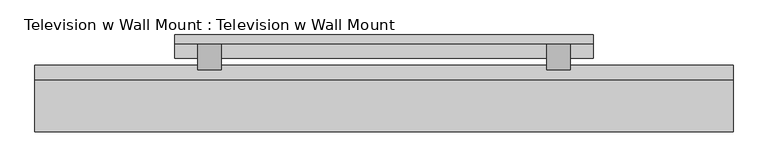
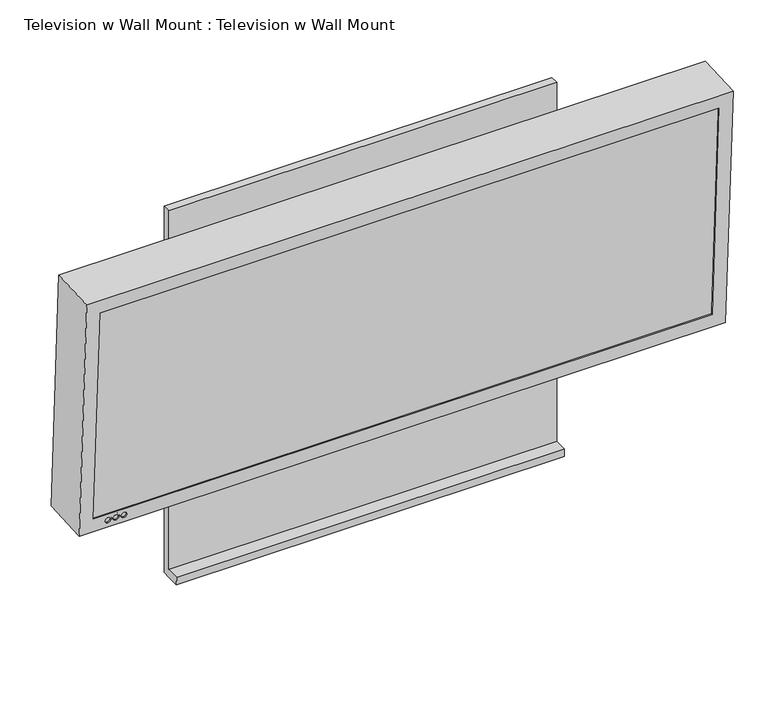
"""IFC4 building model written with IfcOpenShell, lengths in millimetres: proxy geometry, Television w Wall Mount : Television w Wall Mount."""

from ifc_helpers import new_model, si_unit, point, frame, frame_2d, origin, place, context, project, spatial, polyline, circle_curve, trimmed, segment, composite_curve, outline, extrude, source, transform, mapped, element, save
from ifc_brep_helpers import plane_surface, revolved_surface, advanced_brep


def television_w_wall_mount_television_w_wall_mount_fb7990d2(model_context):
    return source(origin(), model_context, "Body", "SolidModel", [
        extrude(outline(composite_curve([segment(trimmed(circle_curve(frame_2d((0.0, 9.0037851)), 9.0037851), [point((0.0, 18.0075701))], [point((0.0, 0.0))], False, "CARTESIAN"), True, "CONTINUOUS"), segment(trimmed(circle_curve(frame_2d((0.0, 9.0037851)), 9.0037851), [point((0.0, 0.0))], [point((0.0, 18.0075701))], False, "CARTESIAN"), True, "CONTINUOUS")], self_intersect=False)), frame((-1182.2925401, -240.5253505, 2466.195864), z_axis=(0.0, 0.9986295347545739, 0.05233595624294378), x_axis=(1.0, 0.0, 0.0)), (0.0, 0.0, 1.0), 3.175),
        extrude(outline(composite_curve([segment(trimmed(circle_curve(frame_2d((0.0, 9.0037851)), 9.0037851), [point((0.0, 18.0075701))], [point((0.0, 0.0))], False, "CARTESIAN"), True, "CONTINUOUS"), segment(trimmed(circle_curve(frame_2d((0.0, 9.0037851)), 9.0037851), [point((0.0, 0.0))], [point((0.0, 18.0075701))], False, "CARTESIAN"), True, "CONTINUOUS")], self_intersect=False)), frame((-1201.3425401, -240.5253505, 2466.195864), z_axis=(0.0, 0.9986295347545739, 0.05233595624294378), x_axis=(1.0, 0.0, 0.0)), (0.0, 0.0, 1.0), 3.175),
        extrude(outline(polyline([(-138.7616051, 2647.7291544), (-80.9625, 2705.5282596), (-80.9625, 2680.1282596), (-135.5082889, 2585.6521819), (-138.7616051, 2647.7291544)])), frame((-170.18, 0.0, 0.0), z_axis=(1.0, 0.0, 0.0), x_axis=(0.0, 1.0, 0.0)), (0.0, 0.0, 1.0), 50.8),
        extrude(outline(polyline([(-138.7616051, 2647.7291544), (-80.9625, 2705.5282596), (-80.9625, 2680.1282596), (-135.5082889, 2585.6521819), (-138.7616051, 2647.7291544)])), frame((-932.18, 0.0, 0.0), z_axis=(1.0, 0.0, 0.0), x_axis=(0.0, 1.0, 0.0)), (0.0, 0.0, 1.0), 50.8),
        extrude(outline(polyline([(-61.9125, 2133.6), (-80.9625, 2133.6), (-111.8172379, 2133.6), (-112.8156061, 2152.65), (-80.9625, 2152.65), (-80.9625, 3048.0), (-61.9125, 3048.0), (-61.9125, 2133.6)])), frame((-982.98, 0.0, 0.0), z_axis=(1.0, 0.0, 0.0), x_axis=(0.0, 1.0, 0.0)), (0.0, 0.0, 1.0), 914.4),
        extrude(outline(polyline([(0.0, 1458.9125), (3.175, 1458.9125), (3.175, 0.0), (0.0, 0.0), (0.0, 1458.9125)])), frame((-1255.23625, -237.7077838, 2473.0992385), z_axis=(0.0, -0.052335956242984656, 0.9986295347545718), x_axis=(0.0, -0.9986295347545718, -0.052335956242984656)), (0.0, 0.0, 1.0), 531.4488846),
        extrude(outline(polyline([(0.0, 1458.9125), (76.2, 1458.9125), (76.2, 0.0), (0.0, 0.0), (0.0, 1458.9125)])), frame((-1255.23625, -155.2709157, 2477.4195717), z_axis=(0.0, -0.052335956242941954, 0.998629534754574), x_axis=(0.0, -0.998629534754574, -0.052335956242941954)), (0.0, 0.0, 1.0), 531.4488846),
        extrude(outline(composite_curve([segment(trimmed(circle_curve(frame_2d((0.0, 9.0037851)), 9.0037851), [point((0.0, 18.0075701))], [point((0.0, 0.0))], False, "CARTESIAN"), True, "CONTINUOUS"), segment(trimmed(circle_curve(frame_2d((0.0, 9.0037851)), 9.0037851), [point((0.0, 0.0))], [point((0.0, 18.0075701))], False, "CARTESIAN"), True, "CONTINUOUS")], self_intersect=False)), frame((-1220.3925401, -240.5253505, 2466.195864), z_axis=(0.0, 0.9986295347545739, 0.05233595624294378), x_axis=(1.0, 0.0, 0.0)), (0.0, 0.0, 1.0), 3.175),
        advanced_brep(
        [(-1287.78, -159.4228194, 3041.9686073), (236.22, -159.4228194, 3041.9686073), (236.22, -128.2025172, 2446.249755), (-1287.78, -128.2025172, 2446.249755), (-1287.78, -273.5661752, 3035.9866075), (-1287.78, -242.3458731, 2440.2677552), (236.22, -242.3458731, 2440.2677552), (236.22, -273.5661752, 3035.9866075), (-1255.23625, -271.8629669, 3003.4874576), (203.67625, -271.8629669, 3003.4874576), (203.67625, -244.0490813, 2472.7669052), (-1255.23625, -244.0490813, 2472.7669052), (-1220.3925401, -242.907645, 2450.9870027), (-1220.3925401, -243.5723117, 2463.6695978), (-1201.3425401, -242.907645, 2450.9870027), (-1201.3425401, -243.5723117, 2463.6695978), (-1182.2925401, -242.907645, 2450.9870027), (-1182.2925401, -243.5723117, 2463.6695978), (-1255.23625, -183.0848013, 3008.1401241), (-1255.23625, -155.2709157, 2477.4195717), (203.67625, -155.2709157, 2477.4195717), (203.67625, -183.0848013, 3008.1401241), (-1220.3925401, -154.1294794, 2455.6396693), (-1220.3925401, -154.794146, 2468.3222643), (-1201.3425401, -154.1294794, 2455.6396693), (-1201.3425401, -154.794146, 2468.3222643), (-1182.2925401, -154.1294794, 2455.6396693), (-1182.2925401, -154.794146, 2468.3222643)],
        [
            (0, 1),
            (1, 2),
            (2, 3),
            (3, 0),
            (4, 5),
            (5, 6),
            (6, 7),
            (7, 4),
            (8, 9),
            (9, 10),
            (10, 11),
            (11, 8),
            (12, 13, circle_curve(frame((-1220.3925401, -243.2399783, 2457.3283003), z_axis=(0.0, 0.9986295347545739, 0.05233595624294378), x_axis=(0.0, -0.05233595624294378, 0.9986295347545739)), 6.35)),
            (13, 12, circle_curve(frame((-1220.3925401, -243.2399783, 2457.3283003), z_axis=(0.0, 0.9986295347545739, 0.05233595624294378), x_axis=(0.0, -0.05233595624294378, 0.9986295347545739)), 6.35)),
            (14, 15, circle_curve(frame((-1201.3425401, -243.2399783, 2457.3283003), z_axis=(0.0, 0.9986295347545739, 0.05233595624294378), x_axis=(0.0, -0.05233595624294378, 0.9986295347545739)), 6.35)),
            (15, 14, circle_curve(frame((-1201.3425401, -243.2399783, 2457.3283003), z_axis=(0.0, 0.9986295347545739, 0.05233595624294378), x_axis=(0.0, -0.05233595624294378, 0.9986295347545739)), 6.35)),
            (16, 17, circle_curve(frame((-1182.2925401, -243.2399783, 2457.3283003), z_axis=(0.0, 0.9986295347545739, 0.05233595624294378), x_axis=(0.0, -0.05233595624294378, 0.9986295347545739)), 6.35)),
            (17, 16, circle_curve(frame((-1182.2925401, -243.2399783, 2457.3283003), z_axis=(0.0, 0.9986295347545739, 0.05233595624294378), x_axis=(0.0, -0.05233595624294378, 0.9986295347545739)), 6.35)),
            (3, 5),
            (4, 0),
            (2, 6),
            (1, 7),
            (18, 19),
            (19, 20),
            (20, 21),
            (21, 18),
            (18, 8),
            (11, 19),
            (10, 20),
            (9, 21),
            (22, 23, circle_curve(frame((-1220.3925401, -154.4618127, 2461.9809668), z_axis=(0.0, -0.9986295347545739, -0.05233595624294378), x_axis=(0.0, -0.05233595624294378, 0.9986295347545739)), 6.35)),
            (23, 22, circle_curve(frame((-1220.3925401, -154.4618127, 2461.9809668), z_axis=(0.0, -0.9986295347545739, -0.05233595624294378), x_axis=(0.0, -0.05233595624294378, 0.9986295347545739)), 6.35)),
            (24, 25, circle_curve(frame((-1201.3425401, -154.4618127, 2461.9809668), z_axis=(0.0, -0.9986295347545739, -0.05233595624294378), x_axis=(0.0, -0.05233595624294378, 0.9986295347545739)), 6.35)),
            (25, 24, circle_curve(frame((-1201.3425401, -154.4618127, 2461.9809668), z_axis=(0.0, -0.9986295347545739, -0.05233595624294378), x_axis=(0.0, -0.05233595624294378, 0.9986295347545739)), 6.35)),
            (26, 27, circle_curve(frame((-1182.2925401, -154.4618127, 2461.9809668), z_axis=(0.0, -0.9986295347545739, -0.05233595624294378), x_axis=(0.0, -0.05233595624294378, 0.9986295347545739)), 6.35)),
            (27, 26, circle_curve(frame((-1182.2925401, -154.4618127, 2461.9809668), z_axis=(0.0, -0.9986295347545739, -0.05233595624294378), x_axis=(0.0, -0.05233595624294378, 0.9986295347545739)), 6.35)),
            (22, 12),
            (13, 23),
            (24, 14),
            (15, 25),
            (26, 16),
            (17, 27),
        ],
        [
            plane_surface(frame((-1287.78, -159.4228194, 3041.9686073), z_axis=(0.0, 0.9986295347545739, 0.05233595624294378), x_axis=(0.0, 0.05233595624294378, -0.9986295347545739))),
            plane_surface(frame((-1287.78, -273.5661752, 3035.9866075), z_axis=(0.0, -0.9986295347545739, -0.05233595624294378), x_axis=(0.0, -0.05233595624294378, 0.9986295347545739))),
            plane_surface(frame((-1287.78, -159.4228194, 3041.9686073), z_axis=(-1.0000000000000002, 0.0, 0.0), x_axis=(0.0, -0.998629534754574, -0.05233595624294197))),
            plane_surface(frame((-1287.78, -128.2025172, 2446.249755), z_axis=(0.0, 0.05233595624294196, -0.998629534754574), x_axis=(0.0, -0.998629534754574, -0.05233595624294196))),
            plane_surface(frame((236.22, -128.2025172, 2446.249755), z_axis=(1.0000000000000002, 0.0, 0.0), x_axis=(0.0, -0.998629534754574, -0.05233595624294196))),
            plane_surface(frame((236.22, -159.4228194, 3041.9686073), z_axis=(0.0, -0.05233595624294197, 0.998629534754574), x_axis=(0.0, -0.998629534754574, -0.05233595624294197))),
            plane_surface(frame((-1255.23625, -183.0848013, 3008.1401241), z_axis=(0.0, -0.9986295347545739, -0.05233595624294378), x_axis=(0.0, 0.05233595624294378, -0.9986295347545739))),
            plane_surface(frame((-1255.23625, -183.0848013, 3008.1401241), z_axis=(1.0000000000000002, 0.0, 0.0), x_axis=(0.0, -0.998629534754574, -0.05233595624294197))),
            plane_surface(frame((-1255.23625, -155.2709157, 2477.4195717), z_axis=(0.0, -0.05233595624294197, 0.998629534754574), x_axis=(0.0, -0.998629534754574, -0.05233595624294197))),
            plane_surface(frame((203.67625, -155.2709157, 2477.4195717), z_axis=(-1.0000000000000002, 0.0, 0.0), x_axis=(0.0, -0.998629534754574, -0.05233595624294197))),
            plane_surface(frame((203.67625, -183.0848013, 3008.1401241), z_axis=(0.0, 0.05233595624294197, -0.998629534754574), x_axis=(0.0, -0.998629534754574, -0.05233595624294197))),
            plane_surface(frame((-1220.3925401, -154.794146, 2468.3222643), z_axis=(0.0, -0.9986295347545739, -0.05233595624294377), x_axis=(-1.0, 0.0, 0.0))),
            revolved_surface(polyline([(-1220.3925401, -154.79414600286253, 2468.3222643546205), (-1220.3925401, -243.5723117021748, 2463.6695978414978)]), (-1220.3925401, -243.2399783, 2457.3283003), (0.0, 0.9986295347545739, 0.05233595624294378)),
            revolved_surface(polyline([(-1201.3425401, -154.79414600299884, 2468.3222643572212), (-1201.3425401, -243.57231170231108, 2463.669597844098)]), (-1201.3425401, -129.0966225, 2463.3103001), (0.0, 0.9986295347545739, 0.05233595624294378)),
            revolved_surface(polyline([(-1182.2925401, -154.79414600299884, 2468.3222643572212), (-1182.2925401, -243.57231170231108, 2463.669597844098)]), (-1182.2925401, -129.0966225, 2463.3103001), (0.0, 0.9986295347545739, 0.05233595624294378)),
        ],
        [
            (0, [[1, 2, 3, 4]]),
            (1, [[5, 6, 7, 8], [9, 10, 11, 12], [13, 14], [15, 16], [17, 18]]),
            (2, [[19, -5, 20, -4]]),
            (3, [[21, -6, -19, -3]]),
            (4, [[22, -7, -21, -2]]),
            (5, [[-20, -8, -22, -1]]),
            (6, [[23, 24, 25, 26]]),
            (7, [[27, -12, 28, -23]]),
            (8, [[-28, -11, 29, -24]]),
            (9, [[-29, -10, 30, -25]]),
            (10, [[-30, -9, -27, -26]]),
            (11, [[31, 32]]),
            (11, [[33, 34]]),
            (11, [[35, 36]]),
            (12, [[37, -14, 38, -31]]),
            (12, [[-38, -13, -37, -32]]),
            (13, [[39, -16, 40, -33]]),
            (13, [[-40, -15, -39, -34]]),
            (14, [[41, -18, 42, -35]]),
            (14, [[-42, -17, -41, -36]]),
        ],
    ),
    ])


if __name__ == "__main__":
    model = new_model("IFC4")
    model_context = context("Model", 3, world=origin())
    ifc_project = project(units=[si_unit("LENGTHUNIT", "METRE", prefix="MILLI")], contexts=[model_context])
    site = spatial("IfcSite", under=ifc_project)
    building = spatial("IfcBuilding", under=site)
    placement = place(None, origin())
    television_w_wall_mount_television_w_wall_mount_shape = television_w_wall_mount_television_w_wall_mount_fb7990d2(model_context)
    element("IfcBuildingElementProxy", 1, Name="Television w Wall Mount : Television w Wall Mount", ObjectType="Television w Wall Mount : Television w Wall Mount", at=placement, inside=building, context=model_context, shape_type="MappedRepresentation", body=[
        mapped(television_w_wall_mount_television_w_wall_mount_shape, transform((0.0, 0.0, 0.0), x_axis=(1.0, 0.0, 0.0), y_axis=(0.0, 1.0, 0.0), z_axis=(0.0, 0.0, 1.0))),
    ])
    save(model, "model.ifc")
